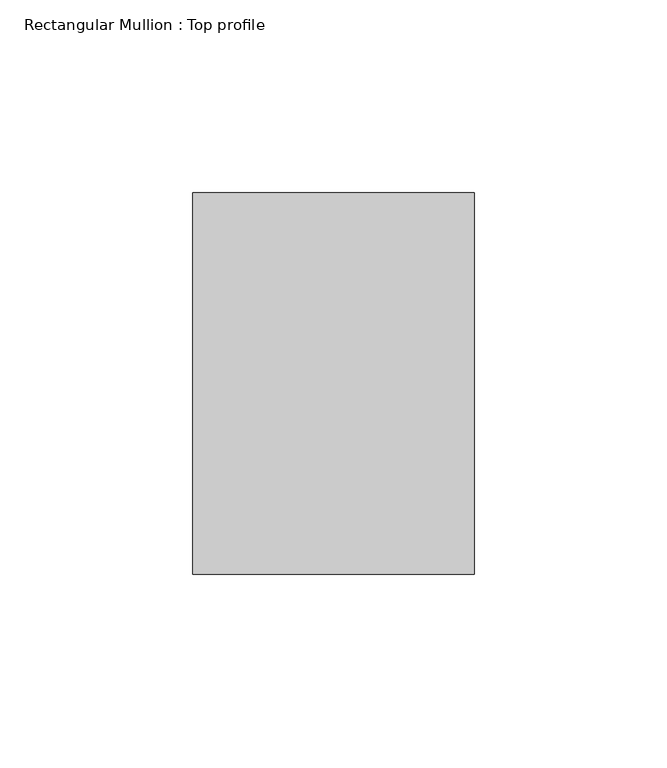
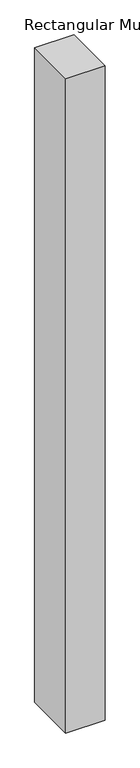
"""IFC4 building model written with IfcOpenShell, lengths in millimetres: member geometry, Rectangular Mullion : Top profile."""

from ifc_helpers import new_model, si_unit, frame, origin, place, context, project, spatial, polyline, outline, extrude, source, transform, mapped, element, save


def rectangular_mullion_top_profile_7bd58b42(model_context):
    return source(origin(), model_context, "Body", "SweptSolid", [
        extrude(outline(polyline([(-73.0, -49.5), (-73.0, 49.5), (0.0, 49.5), (0.0, -49.5), (-73.0, -49.5)])), frame((0.0, 0.0, -1280.0), z_axis=(0.0, 0.0, 1.0), x_axis=(1.0, 0.0, 0.0)), (0.0, 0.0, 1.0), 1280.0),
    ])


if __name__ == "__main__":
    model = new_model("IFC4")
    model_context = context("Model", 3, world=origin())
    ifc_project = project(units=[si_unit("LENGTHUNIT", "METRE", prefix="MILLI")], contexts=[model_context])
    site = spatial("IfcSite", under=ifc_project)
    building = spatial("IfcBuilding", under=site)
    placement = place(None, origin())
    rectangular_mullion_top_profile_shape = rectangular_mullion_top_profile_7bd58b42(model_context)
    element("IfcMember", 1, ObjectType="Rectangular Mullion : Top profile", at=placement, inside=building, context=model_context, shape_type="MappedRepresentation", body=[
        mapped(rectangular_mullion_top_profile_shape, transform((0.0, 0.0, 0.0), x_axis=(1.0, 0.0, 0.0), y_axis=(0.0, 1.0, 0.0), z_axis=(0.0, 0.0, 1.0))),
    ])
    save(model, "model.ifc")
